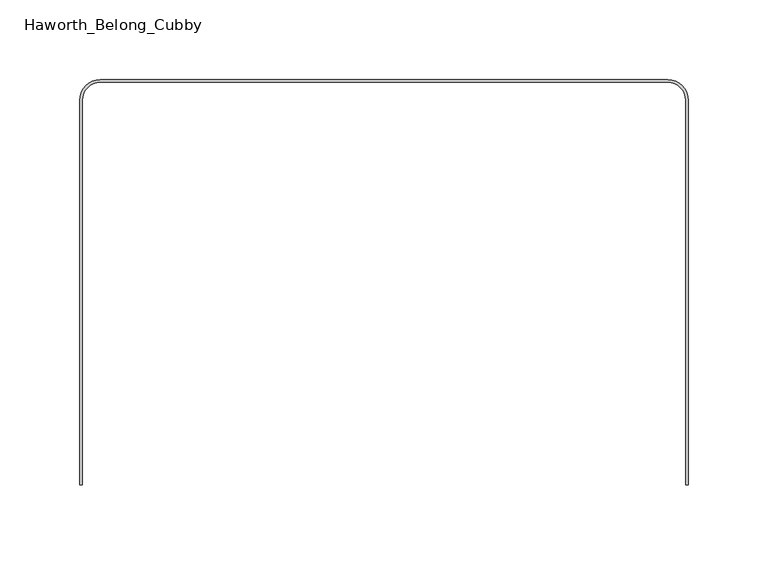
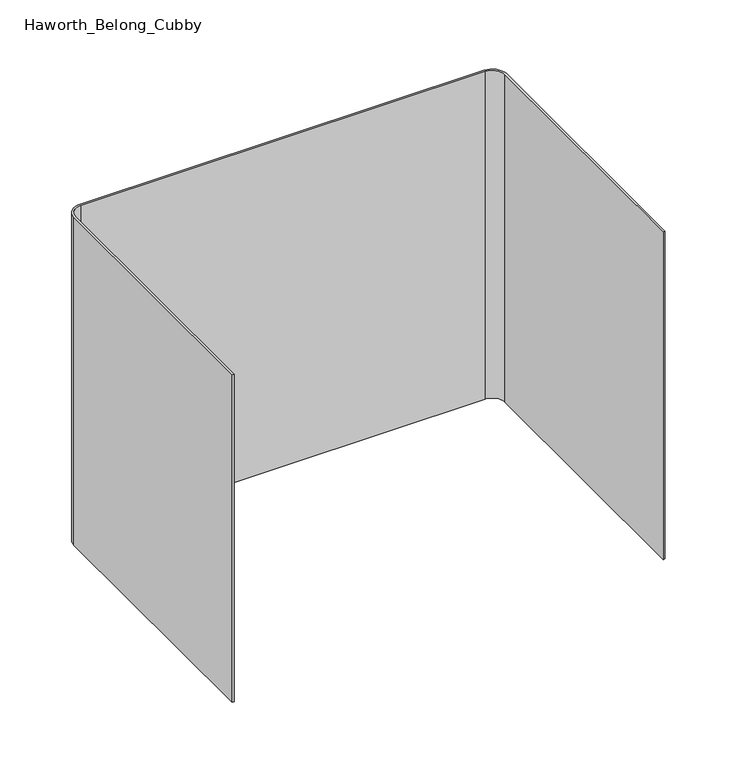
"""IFC4 building model written with IfcOpenShell, lengths in millimetres: furniture geometry, Haworth_Belong_Cubby."""

from ifc_helpers import new_model, si_unit, point, frame, frame_2d, origin, place, context, project, spatial, polyline, circle_curve, trimmed, segment, composite_curve, outline, extrude, source, transform, mapped, element, save


def haworth_belong_cubby_17aea579(model_context):
    return source(origin(), model_context, "Body", "SweptSolid", [
        extrude(outline(composite_curve([segment(polyline([(-190.5, -253.20625), (-190.5, -11.90625)]), True, "CONTINUOUS"), segment(trimmed(circle_curve(frame_2d((-177.8, -11.90625)), 12.7), [point((-190.5, -11.90625))], [point((-177.8, 0.79375))], False, "CARTESIAN"), True, "CONTINUOUS"), segment(polyline([(-177.8, 0.79375), (177.8, 0.79375)]), True, "CONTINUOUS"), segment(trimmed(circle_curve(frame_2d((177.8, -11.90625)), 12.7), [point((177.8, 0.79375))], [point((190.5, -11.90625))], False, "CARTESIAN"), True, "CONTINUOUS"), segment(polyline([(190.5, -11.90625), (190.5, -253.20625), (188.9125, -253.20625), (188.9125, -11.90625)]), True, "CONTINUOUS"), segment(trimmed(circle_curve(frame_2d((177.8, -11.90625)), 11.1125), [point((188.9125, -11.90625))], [point((177.8, -0.79375))], True, "CARTESIAN"), True, "CONTINUOUS"), segment(polyline([(177.8, -0.79375), (-177.8, -0.79375)]), True, "CONTINUOUS"), segment(trimmed(circle_curve(frame_2d((-177.8, -11.90625)), 11.1125), [point((-177.8, -0.79375))], [point((-188.9125, -11.90625))], True, "CARTESIAN"), True, "CONTINUOUS"), segment(polyline([(-188.9125, -11.90625), (-188.9125, -253.20625), (-190.5, -253.20625)]), True, "CONTINUOUS")], self_intersect=False)), frame((0.0, 0.0, 762.0), z_axis=(0.0, 0.0, 1.0), x_axis=(1.0, 0.0, 0.0)), (0.0, 0.0, 1.0), 304.8),
    ])


if __name__ == "__main__":
    model = new_model("IFC4")
    model_context = context("Model", 3, world=origin())
    ifc_project = project(units=[si_unit("LENGTHUNIT", "METRE", prefix="MILLI")], contexts=[model_context])
    site = spatial("IfcSite", under=ifc_project)
    building = spatial("IfcBuilding", under=site)
    placement = place(None, origin())
    haworth_belong_cubby_shape = haworth_belong_cubby_17aea579(model_context)
    element("IfcFurniture", 1, ObjectType="Haworth_Belong_Cubby", at=placement, inside=building, context=model_context, shape_type="MappedRepresentation", body=[
        mapped(haworth_belong_cubby_shape, transform((0.0, 0.0, 0.0), x_axis=(1.0, 0.0, 0.0), y_axis=(0.0, 1.0, 0.0), z_axis=(0.0, 0.0, 1.0))),
    ])
    save(model, "model.ifc")
